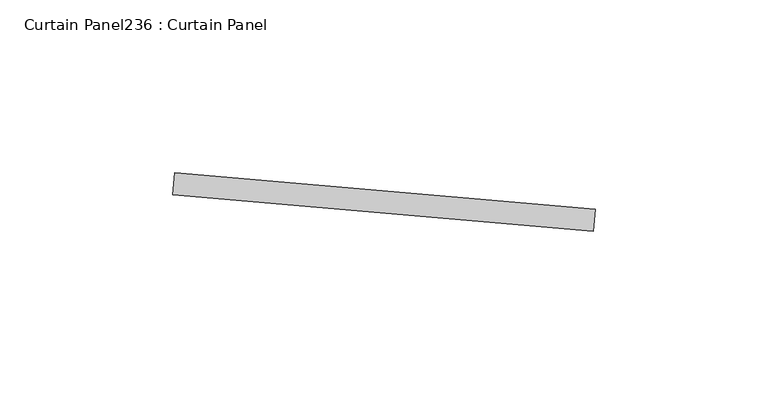
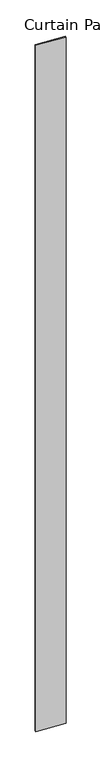
"""IFC4 building model written with IfcOpenShell, lengths in millimetres: plate geometry, Curtain Panel236 : Curtain Panel."""

import ifcopenshell
import ifcopenshell.guid

model = None  # the IFC model being written
_history = None  # IfcOwnerHistory: only IFC2X3 demands one
_inside = {}  # id of a spatial element -> (the spatial element, [elements in it])
_under = {}  # id of a project, library or spatial element -> (it, [spatial elements below it])
_declared = {}  # id of a project -> (the project, [libraries it declares])
_typed = {}  # id of a type object -> (the type object, [elements of that type])
_made_of = {}  # id of a material, layer set ... -> (it, [elements and type objects made of it])


def new_model(schema):
    """Start an empty IFC model of exactly this schema.

    Asked for "IFC4X3", IfcOpenShell would pick the latest addendum, in which some entities
    have other attributes; the version numbers below select the first issue.
    IFC2X3 requires an IfcOwnerHistory on every rooted entity: one is made here for all.
    """
    global model, _history
    if schema == "IFC4X3":
        model = ifcopenshell.file(schema_version=(4, 3, 0, 0))
    else:
        model = ifcopenshell.file(schema=schema)
    _inside.clear()
    _under.clear()
    _declared.clear()
    _typed.clear()
    _made_of.clear()
    _history = None
    if model.schema == "IFC2X3":
        org = make("IfcOrganization", Name="unknown")
        user = make(
            "IfcPersonAndOrganization",
            ThePerson=make("IfcPerson", FamilyName="unknown"),
            TheOrganization=org,
        )
        app = make(
            "IfcApplication",
            ApplicationDeveloper=org,
            Version="unknown",
            ApplicationFullName="unknown",
            ApplicationIdentifier="unknown",
        )
        _history = make(
            "IfcOwnerHistory",
            OwningUser=user,
            OwningApplication=app,
            ChangeAction="ADDED",
            CreationDate=0,
        )
    return model


def make(cls, **values):
    """One entity of the class cls with the attributes given. An attribute that is None is left unset."""
    return model.create_entity(
        cls, **{name: value for name, value in values.items() if value is not None}
    )


def rooted(cls, **values):
    """An entity with a GlobalId (a new one), such as an element, a storey or a relation."""
    return make(cls, GlobalId=ifcopenshell.guid.new(), OwnerHistory=_history, **values)


def si_unit(unit_type, name, prefix=None):
    """IfcSIUnit, for example si_unit("LENGTHUNIT", "METRE", prefix="MILLI")."""
    return make("IfcSIUnit", UnitType=unit_type, Prefix=prefix, Name=name)


def assignment(units):
    """IfcUnitAssignment: the units of a project."""
    return None if units is None else make("IfcUnitAssignment", Units=units)


def point(xyz):
    """IfcCartesianPoint."""
    return None if xyz is None else make("IfcCartesianPoint", Coordinates=xyz)


def direction(xyz):
    """IfcDirection."""
    return None if xyz is None else make("IfcDirection", DirectionRatios=xyz)


def frame(location, z_axis=None, x_axis=None):
    """IfcAxis2Placement3D, a coordinate frame: its origin and axes. An axis left out is left unset."""
    return make(
        "IfcAxis2Placement3D",
        Location=point(location),
        Axis=direction(z_axis),
        RefDirection=direction(x_axis),
    )


def origin():
    """The frame at (0, 0, 0) with its axes left unset."""
    return frame((0.0, 0.0, 0.0))


def place(relative_to, where):
    """IfcLocalPlacement: puts the frame where relative to a parent placement (None: the world)."""
    return make(
        "IfcLocalPlacement", PlacementRelTo=relative_to, RelativePlacement=where
    )


def context(
    kind, dimensions, precision=None, world=None, true_north=None, identifier=None
):
    """IfcGeometricRepresentationContext, for example the 3D "Model" context."""
    return make(
        "IfcGeometricRepresentationContext",
        ContextIdentifier=identifier,
        ContextType=kind,
        CoordinateSpaceDimension=dimensions,
        Precision=precision,
        WorldCoordinateSystem=world,
        TrueNorth=true_north,
    )


def project(units=None, contexts=None):
    """IfcProject with its units and contexts."""
    return rooted(
        "IfcProject",
        Name="project",
        RepresentationContexts=contexts,
        UnitsInContext=assignment(units),
    )


def spatial(cls, under=None, at=None, **own):
    """A site, building, storey or space (cls), placed at a placement, below another one or the project."""
    s = rooted(cls, ObjectPlacement=at, **own)
    if under is not None:
        _under.setdefault(under.id(), (under, []))[1].append(s)
    return s


def polyline(points):
    """IfcPolyline through the points."""
    return make("IfcPolyline", Points=[point(p) for p in points])


def outline(outer, holes=None, kind="AREA"):
    """IfcArbitraryClosedProfileDef: a profile drawn as a closed curve; with holes, ...WithVoids."""
    if holes is None:
        return make("IfcArbitraryClosedProfileDef", ProfileType=kind, OuterCurve=outer)
    return make(
        "IfcArbitraryProfileDefWithVoids",
        ProfileType=kind,
        OuterCurve=outer,
        InnerCurves=holes,
    )


def extrude(swept, where, along, depth):
    """IfcExtrudedAreaSolid: the profile swept, set in the frame where, extruded along a direction by depth."""
    return make(
        "IfcExtrudedAreaSolid",
        SweptArea=swept,
        Position=where,
        ExtrudedDirection=direction(along),
        Depth=depth,
    )


def shape(context_of_items, identifier, shape_type, items):
    """IfcShapeRepresentation: the items that make up one representation, for example the "Body"."""
    return make(
        "IfcShapeRepresentation",
        ContextOfItems=context_of_items,
        RepresentationIdentifier=identifier,
        RepresentationType=shape_type,
        Items=items,
    )


def source(mapping_origin, context_of_items, identifier, shape_type, items):
    """IfcRepresentationMap: a shape defined once, which mapped items show again and again."""
    return make(
        "IfcRepresentationMap",
        MappingOrigin=mapping_origin,
        MappedRepresentation=shape(context_of_items, identifier, shape_type, items),
    )


def transform(
    local_origin,
    x_axis=None,
    y_axis=None,
    z_axis=None,
    scale=None,
    scale2=None,
    scale3=None,
    uniform=True,
):
    """IfcCartesianTransformationOperator3D, or its non-uniform kind. x_axis, y_axis, z_axis: its Axis1, 2, 3."""
    if uniform:
        return make(
            "IfcCartesianTransformationOperator3D",
            Axis1=direction(x_axis),
            Axis2=direction(y_axis),
            LocalOrigin=point(local_origin),
            Scale=scale,
            Axis3=direction(z_axis),
        )
    return make(
        "IfcCartesianTransformationOperator3DnonUniform",
        Axis1=direction(x_axis),
        Axis2=direction(y_axis),
        LocalOrigin=point(local_origin),
        Scale=scale,
        Axis3=direction(z_axis),
        Scale2=scale2,
        Scale3=scale3,
    )


def mapped(mapping_source, mapping_target):
    """IfcMappedItem: shows the shape of a source again, moved by a transform."""
    return make(
        "IfcMappedItem", MappingSource=mapping_source, MappingTarget=mapping_target
    )


def made_of(thing, what):
    """Note that an element or type object is made of a material, layer set ...; save() writes the relation."""
    if what is not None:
        _made_of.setdefault(what.id(), (what, []))[1].append(thing)
    return thing


def element(
    cls,
    number,
    at=None,
    inside=None,
    cuts=None,
    type_object=None,
    material=None,
    context=None,
    identifier="Body",
    shape_type=None,
    held_by="IfcProductDefinitionShape",
    body=None,
    shapes=None,
    **own,
):
    """One element of the class cls, such as IfcWall. Its Tag is "e" and its number.

    at: its placement. inside: the storey or other place that contains it. cuts: it is an
    opening in that element (IfcRelVoidsElement). A single representation is given by context,
    identifier, shape_type and body (its items); several are given by shapes. held_by: the class
    of the entity that holds the representations. save() writes the other relations.
    """
    e = rooted(cls, Tag="e%d" % number, ObjectPlacement=at, **own)
    if body is not None:
        shapes = [shape(context, identifier, shape_type, body)]
    if shapes is not None:
        e.Representation = make(held_by, Representations=shapes)
    if inside is not None:
        _inside.setdefault(inside.id(), (inside, []))[1].append(e)
    if cuts is not None:
        rooted(
            "IfcRelVoidsElement", RelatingBuildingElement=cuts, RelatedOpeningElement=e
        )
    if type_object is not None:
        _typed.setdefault(type_object.id(), (type_object, []))[1].append(e)
    return made_of(e, material)


def aggregate(whole, parts):
    """IfcRelAggregates: a whole, such as a stair, and the parts it consists of."""
    return rooted("IfcRelAggregates", RelatingObject=whole, RelatedObjects=parts)


def save(model, path):
    """Write the relations noted so far, then the file.

    IfcRelAggregates (storeys below a building ...), IfcRelContainedInSpatialStructure (elements
    in a storey), IfcRelDefinesByType, IfcRelAssociatesMaterial and IfcRelDeclares: one each for
    every whole, place, type object, material and project.
    """
    for whole, parts in _under.values():
        aggregate(whole, parts)
    for where, things in _inside.values():
        rooted(
            "IfcRelContainedInSpatialStructure",
            RelatedElements=things,
            RelatingStructure=where,
        )
    for kind, things in _typed.values():
        rooted("IfcRelDefinesByType", RelatedObjects=things, RelatingType=kind)
    for what, things in _made_of.values():
        rooted("IfcRelAssociatesMaterial", RelatedObjects=things, RelatingMaterial=what)
    for by, libraries in _declared.values():
        rooted("IfcRelDeclares", RelatingContext=by, RelatedDefinitions=libraries)
    model.write(path)


def curtain_panel236_curtain_panel_61333c47(model_context):
    return source(origin(), model_context, "Body", "SweptSolid", [
        extrude(outline(polyline([(642682.0592984, 2206.7467604), (642560.2152421, 2217.406734), (642560.7686811, 2223.7325703), (642682.6127374, 2213.0725967), (642682.0592984, 2206.7467604)])), frame((0.0, 0.0, 4959.7989371), z_axis=(0.0, 0.0, 1.0), x_axis=(1.0, 0.0, 0.0)), (0.0, 0.0, 1.0), 3048.0),
    ])


if __name__ == "__main__":
    model = new_model("IFC4")
    model_context = context("Model", 3, world=origin())
    ifc_project = project(units=[si_unit("LENGTHUNIT", "METRE", prefix="MILLI")], contexts=[model_context])
    site = spatial("IfcSite", under=ifc_project)
    building = spatial("IfcBuilding", under=site)
    placement = place(None, origin())
    curtain_panel236_curtain_panel_shape = curtain_panel236_curtain_panel_61333c47(model_context)
    element("IfcPlate", 1, ObjectType="Curtain Panel236 : Curtain Panel", at=placement, inside=building, context=model_context, shape_type="MappedRepresentation", body=[
        mapped(curtain_panel236_curtain_panel_shape, transform((0.0, 0.0, 0.0), x_axis=(1.0, 0.0, 0.0), y_axis=(0.0, 1.0, 0.0), z_axis=(0.0, 0.0, 1.0))),
    ])
    save(model, "model.ifc")
